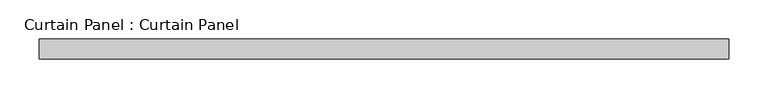
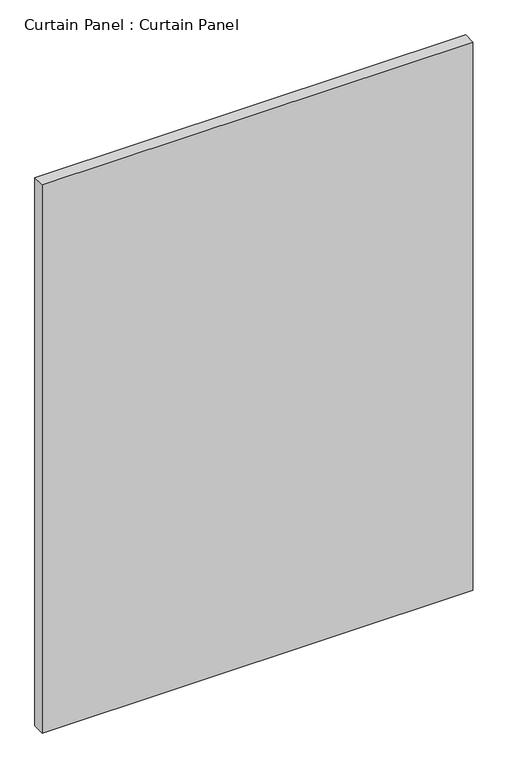
"""IFC4 building model written with IfcOpenShell, lengths in millimetres: plate geometry, Curtain Panel : Curtain Panel."""

from ifc_helpers import new_model, si_unit, frame, origin, place, context, project, spatial, polyline, outline, extrude, source, transform, mapped, element, save


def curtain_panel_curtain_panel_d4973822(model_context):
    return source(origin(), model_context, "Body", "SweptSolid", [
        extrude(outline(polyline([(-174909.1628689, 4757.6387985), (-175788.6378689, 4757.6387985), (-175788.6378689, 4783.0387985), (-174909.1628689, 4783.0387985), (-174909.1628689, 4757.6387985)])), frame((0.0, 0.0, 1236.6625), z_axis=(0.0, 0.0, 1.0), x_axis=(1.0, 0.0, 0.0)), (0.0, 0.0, 1.0), 1184.275),
    ])


if __name__ == "__main__":
    model = new_model("IFC4")
    model_context = context("Model", 3, world=origin())
    ifc_project = project(units=[si_unit("LENGTHUNIT", "METRE", prefix="MILLI")], contexts=[model_context])
    site = spatial("IfcSite", under=ifc_project)
    building = spatial("IfcBuilding", under=site)
    placement = place(None, origin())
    curtain_panel_curtain_panel_shape = curtain_panel_curtain_panel_d4973822(model_context)
    element("IfcPlate", 1, ObjectType="Curtain Panel : Curtain Panel", at=placement, inside=building, context=model_context, shape_type="MappedRepresentation", body=[
        mapped(curtain_panel_curtain_panel_shape, transform((0.0, 0.0, 0.0), x_axis=(1.0, 0.0, 0.0), y_axis=(0.0, 1.0, 0.0), z_axis=(0.0, 0.0, 1.0))),
    ])
    save(model, "model.ifc")
